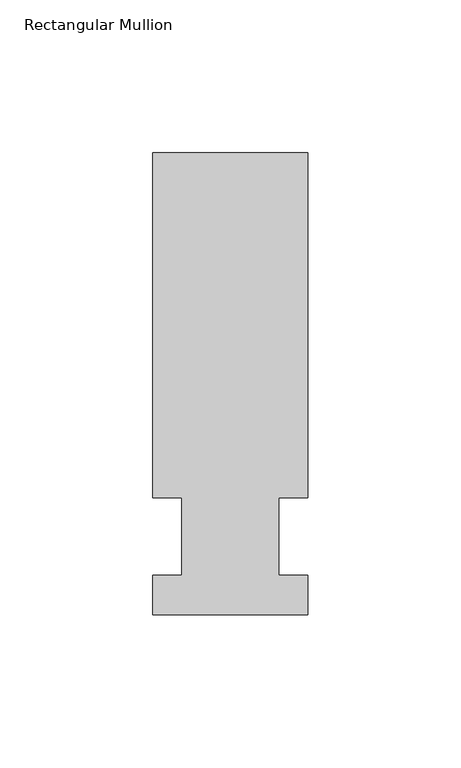
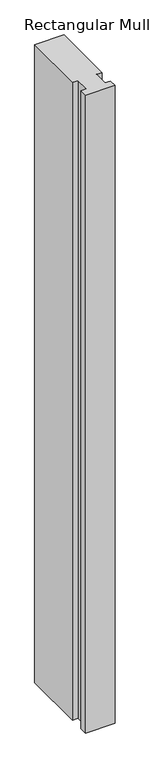
"""IFC4 building model written with IfcOpenShell, lengths in millimetres: member geometry, Rectangular Mullion."""

import ifcopenshell
import ifcopenshell.guid

model = None  # the IFC model being written
_history = None  # IfcOwnerHistory: only IFC2X3 demands one
_inside = {}  # id of a spatial element -> (the spatial element, [elements in it])
_under = {}  # id of a project, library or spatial element -> (it, [spatial elements below it])
_declared = {}  # id of a project -> (the project, [libraries it declares])
_typed = {}  # id of a type object -> (the type object, [elements of that type])
_made_of = {}  # id of a material, layer set ... -> (it, [elements and type objects made of it])


def new_model(schema):
    """Start an empty IFC model of exactly this schema.

    Asked for "IFC4X3", IfcOpenShell would pick the latest addendum, in which some entities
    have other attributes; the version numbers below select the first issue.
    IFC2X3 requires an IfcOwnerHistory on every rooted entity: one is made here for all.
    """
    global model, _history
    if schema == "IFC4X3":
        model = ifcopenshell.file(schema_version=(4, 3, 0, 0))
    else:
        model = ifcopenshell.file(schema=schema)
    _inside.clear()
    _under.clear()
    _declared.clear()
    _typed.clear()
    _made_of.clear()
    _history = None
    if model.schema == "IFC2X3":
        org = make("IfcOrganization", Name="unknown")
        user = make(
            "IfcPersonAndOrganization",
            ThePerson=make("IfcPerson", FamilyName="unknown"),
            TheOrganization=org,
        )
        app = make(
            "IfcApplication",
            ApplicationDeveloper=org,
            Version="unknown",
            ApplicationFullName="unknown",
            ApplicationIdentifier="unknown",
        )
        _history = make(
            "IfcOwnerHistory",
            OwningUser=user,
            OwningApplication=app,
            ChangeAction="ADDED",
            CreationDate=0,
        )
    return model


def make(cls, **values):
    """One entity of the class cls with the attributes given. An attribute that is None is left unset."""
    return model.create_entity(
        cls, **{name: value for name, value in values.items() if value is not None}
    )


def rooted(cls, **values):
    """An entity with a GlobalId (a new one), such as an element, a storey or a relation."""
    return make(cls, GlobalId=ifcopenshell.guid.new(), OwnerHistory=_history, **values)


def si_unit(unit_type, name, prefix=None):
    """IfcSIUnit, for example si_unit("LENGTHUNIT", "METRE", prefix="MILLI")."""
    return make("IfcSIUnit", UnitType=unit_type, Prefix=prefix, Name=name)


def assignment(units):
    """IfcUnitAssignment: the units of a project."""
    return None if units is None else make("IfcUnitAssignment", Units=units)


def point(xyz):
    """IfcCartesianPoint."""
    return None if xyz is None else make("IfcCartesianPoint", Coordinates=xyz)


def direction(xyz):
    """IfcDirection."""
    return None if xyz is None else make("IfcDirection", DirectionRatios=xyz)


def frame(location, z_axis=None, x_axis=None):
    """IfcAxis2Placement3D, a coordinate frame: its origin and axes. An axis left out is left unset."""
    return make(
        "IfcAxis2Placement3D",
        Location=point(location),
        Axis=direction(z_axis),
        RefDirection=direction(x_axis),
    )


def origin():
    """The frame at (0, 0, 0) with its axes left unset."""
    return frame((0.0, 0.0, 0.0))


def place(relative_to, where):
    """IfcLocalPlacement: puts the frame where relative to a parent placement (None: the world)."""
    return make(
        "IfcLocalPlacement", PlacementRelTo=relative_to, RelativePlacement=where
    )


def context(
    kind, dimensions, precision=None, world=None, true_north=None, identifier=None
):
    """IfcGeometricRepresentationContext, for example the 3D "Model" context."""
    return make(
        "IfcGeometricRepresentationContext",
        ContextIdentifier=identifier,
        ContextType=kind,
        CoordinateSpaceDimension=dimensions,
        Precision=precision,
        WorldCoordinateSystem=world,
        TrueNorth=true_north,
    )


def project(units=None, contexts=None):
    """IfcProject with its units and contexts."""
    return rooted(
        "IfcProject",
        Name="project",
        RepresentationContexts=contexts,
        UnitsInContext=assignment(units),
    )


def spatial(cls, under=None, at=None, **own):
    """A site, building, storey or space (cls), placed at a placement, below another one or the project."""
    s = rooted(cls, ObjectPlacement=at, **own)
    if under is not None:
        _under.setdefault(under.id(), (under, []))[1].append(s)
    return s


def polyline(points):
    """IfcPolyline through the points."""
    return make("IfcPolyline", Points=[point(p) for p in points])


def outline(outer, holes=None, kind="AREA"):
    """IfcArbitraryClosedProfileDef: a profile drawn as a closed curve; with holes, ...WithVoids."""
    if holes is None:
        return make("IfcArbitraryClosedProfileDef", ProfileType=kind, OuterCurve=outer)
    return make(
        "IfcArbitraryProfileDefWithVoids",
        ProfileType=kind,
        OuterCurve=outer,
        InnerCurves=holes,
    )


def extrude(swept, where, along, depth):
    """IfcExtrudedAreaSolid: the profile swept, set in the frame where, extruded along a direction by depth."""
    return make(
        "IfcExtrudedAreaSolid",
        SweptArea=swept,
        Position=where,
        ExtrudedDirection=direction(along),
        Depth=depth,
    )


def shape(context_of_items, identifier, shape_type, items):
    """IfcShapeRepresentation: the items that make up one representation, for example the "Body"."""
    return make(
        "IfcShapeRepresentation",
        ContextOfItems=context_of_items,
        RepresentationIdentifier=identifier,
        RepresentationType=shape_type,
        Items=items,
    )


def source(mapping_origin, context_of_items, identifier, shape_type, items):
    """IfcRepresentationMap: a shape defined once, which mapped items show again and again."""
    return make(
        "IfcRepresentationMap",
        MappingOrigin=mapping_origin,
        MappedRepresentation=shape(context_of_items, identifier, shape_type, items),
    )


def transform(
    local_origin,
    x_axis=None,
    y_axis=None,
    z_axis=None,
    scale=None,
    scale2=None,
    scale3=None,
    uniform=True,
):
    """IfcCartesianTransformationOperator3D, or its non-uniform kind. x_axis, y_axis, z_axis: its Axis1, 2, 3."""
    if uniform:
        return make(
            "IfcCartesianTransformationOperator3D",
            Axis1=direction(x_axis),
            Axis2=direction(y_axis),
            LocalOrigin=point(local_origin),
            Scale=scale,
            Axis3=direction(z_axis),
        )
    return make(
        "IfcCartesianTransformationOperator3DnonUniform",
        Axis1=direction(x_axis),
        Axis2=direction(y_axis),
        LocalOrigin=point(local_origin),
        Scale=scale,
        Axis3=direction(z_axis),
        Scale2=scale2,
        Scale3=scale3,
    )


def mapped(mapping_source, mapping_target):
    """IfcMappedItem: shows the shape of a source again, moved by a transform."""
    return make(
        "IfcMappedItem", MappingSource=mapping_source, MappingTarget=mapping_target
    )


def made_of(thing, what):
    """Note that an element or type object is made of a material, layer set ...; save() writes the relation."""
    if what is not None:
        _made_of.setdefault(what.id(), (what, []))[1].append(thing)
    return thing


def element(
    cls,
    number,
    at=None,
    inside=None,
    cuts=None,
    type_object=None,
    material=None,
    context=None,
    identifier="Body",
    shape_type=None,
    held_by="IfcProductDefinitionShape",
    body=None,
    shapes=None,
    **own,
):
    """One element of the class cls, such as IfcWall. Its Tag is "e" and its number.

    at: its placement. inside: the storey or other place that contains it. cuts: it is an
    opening in that element (IfcRelVoidsElement). A single representation is given by context,
    identifier, shape_type and body (its items); several are given by shapes. held_by: the class
    of the entity that holds the representations. save() writes the other relations.
    """
    e = rooted(cls, Tag="e%d" % number, ObjectPlacement=at, **own)
    if body is not None:
        shapes = [shape(context, identifier, shape_type, body)]
    if shapes is not None:
        e.Representation = make(held_by, Representations=shapes)
    if inside is not None:
        _inside.setdefault(inside.id(), (inside, []))[1].append(e)
    if cuts is not None:
        rooted(
            "IfcRelVoidsElement", RelatingBuildingElement=cuts, RelatedOpeningElement=e
        )
    if type_object is not None:
        _typed.setdefault(type_object.id(), (type_object, []))[1].append(e)
    return made_of(e, material)


def aggregate(whole, parts):
    """IfcRelAggregates: a whole, such as a stair, and the parts it consists of."""
    return rooted("IfcRelAggregates", RelatingObject=whole, RelatedObjects=parts)


def save(model, path):
    """Write the relations noted so far, then the file.

    IfcRelAggregates (storeys below a building ...), IfcRelContainedInSpatialStructure (elements
    in a storey), IfcRelDefinesByType, IfcRelAssociatesMaterial and IfcRelDeclares: one each for
    every whole, place, type object, material and project.
    """
    for whole, parts in _under.values():
        aggregate(whole, parts)
    for where, things in _inside.values():
        rooted(
            "IfcRelContainedInSpatialStructure",
            RelatedElements=things,
            RelatingStructure=where,
        )
    for kind, things in _typed.values():
        rooted("IfcRelDefinesByType", RelatedObjects=things, RelatingType=kind)
    for what, things in _made_of.values():
        rooted("IfcRelAssociatesMaterial", RelatedObjects=things, RelatingMaterial=what)
    for by, libraries in _declared.values():
        rooted("IfcRelDeclares", RelatingContext=by, RelatedDefinitions=libraries)
    model.write(path)


def rectangular_mullion_d933e285(model_context):
    return source(origin(), model_context, "Body", "SweptSolid", [
        extrude(outline(polyline([(-25.4, -25.58415), (-25.4, -12.7), (-15.875, -12.7), (-15.875, 12.7), (-25.4, 12.7), (-25.4, 125.59665), (25.4, 125.59665), (25.4, 12.7), (15.875, 12.7), (15.875, -12.7), (25.4, -12.7), (25.4, -25.58415), (-25.4, -25.58415)])), frame((0.0, 0.0, -1159.9333333), z_axis=(0.0, 0.0, 1.0), x_axis=(1.0, 0.0, 0.0)), (0.0, 0.0, 1.0), 1159.9333333),
    ])


if __name__ == "__main__":
    model = new_model("IFC4")
    model_context = context("Model", 3, world=origin())
    ifc_project = project(units=[si_unit("LENGTHUNIT", "METRE", prefix="MILLI")], contexts=[model_context])
    site = spatial("IfcSite", under=ifc_project)
    building = spatial("IfcBuilding", under=site)
    placement = place(None, origin())
    rectangular_mullion_shape = rectangular_mullion_d933e285(model_context)
    element("IfcMember", 1, ObjectType="Rectangular Mullion", at=placement, inside=building, context=model_context, shape_type="MappedRepresentation", body=[
        mapped(rectangular_mullion_shape, transform((0.0, 0.0, 0.0), x_axis=(1.0, 0.0, 0.0), y_axis=(0.0, 1.0, 0.0), z_axis=(0.0, 0.0, 1.0))),
    ])
    save(model, "model.ifc")
